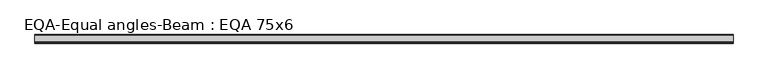
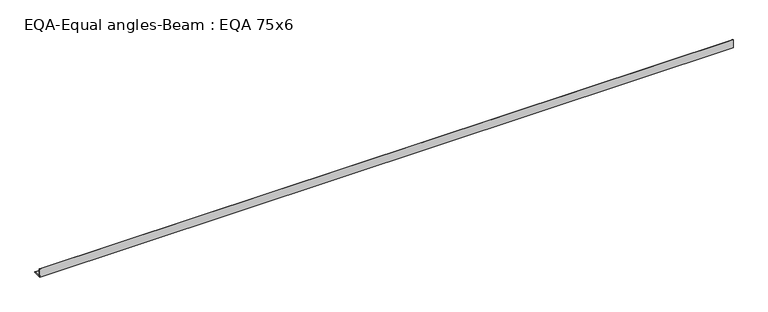
"""IFC4 building model written with IfcOpenShell, lengths in millimetres: beam geometry, EQA-Equal angles-Beam : EQA 75x6."""

from ifc_helpers import new_model, si_unit, point, frame, frame_2d, origin, place, context, project, spatial, polyline, circle_curve, trimmed, segment, composite_curve, outline, extrude, source, transform, mapped, element, save


def eqa_equal_angles_beam_eqa_75x6_8c1e4f02(model_context):
    return source(origin(), model_context, "Body", "SweptSolid", [
        extrude(outline(composite_curve([segment(polyline([(-20.5, -20.5), (-20.5, 54.5), (-19.0, 54.5)]), True, "CONTINUOUS"), segment(trimmed(circle_curve(frame_2d((-19.0, 50.0)), 4.5), [point((-19.0, 54.5))], [point((-14.5, 50.0))], False, "CARTESIAN"), True, "CONTINUOUS"), segment(polyline([(-14.5, 50.0), (-14.5, -5.5)]), True, "CONTINUOUS"), segment(trimmed(circle_curve(frame_2d((-5.5, -5.5)), 9.0), [point((-14.5, -5.5))], [point((-5.5, -14.5))], True, "CARTESIAN"), True, "CONTINUOUS"), segment(polyline([(-5.5, -14.5), (50.0, -14.5)]), True, "CONTINUOUS"), segment(trimmed(circle_curve(frame_2d((50.0, -19.0)), 4.5), [point((50.0, -14.5))], [point((54.5, -19.0))], False, "CARTESIAN"), True, "CONTINUOUS"), segment(polyline([(54.5, -19.0), (54.5, -20.5), (-20.5, -20.5)]), True, "CONTINUOUS")], self_intersect=False)), frame((-3073.0949454, 0.0, 0.0), z_axis=(1.0, 0.0, 0.0), x_axis=(0.0, 1.0, 0.0)), (0.0, 0.0, 1.0), 6046.0336809),
    ])


if __name__ == "__main__":
    model = new_model("IFC4")
    model_context = context("Model", 3, world=origin())
    ifc_project = project(units=[si_unit("LENGTHUNIT", "METRE", prefix="MILLI")], contexts=[model_context])
    site = spatial("IfcSite", under=ifc_project)
    building = spatial("IfcBuilding", under=site)
    placement = place(None, origin())
    eqa_equal_angles_beam_eqa_75x6_shape = eqa_equal_angles_beam_eqa_75x6_8c1e4f02(model_context)
    element("IfcBeam", 1, ObjectType="EQA-Equal angles-Beam : EQA 75x6", at=placement, inside=building, context=model_context, shape_type="MappedRepresentation", body=[
        mapped(eqa_equal_angles_beam_eqa_75x6_shape, transform((0.0, 0.0, 0.0), x_axis=(1.0, 0.0, 0.0), y_axis=(0.0, 1.0, 0.0), z_axis=(0.0, 0.0, 1.0))),
    ])
    save(model, "model.ifc")
